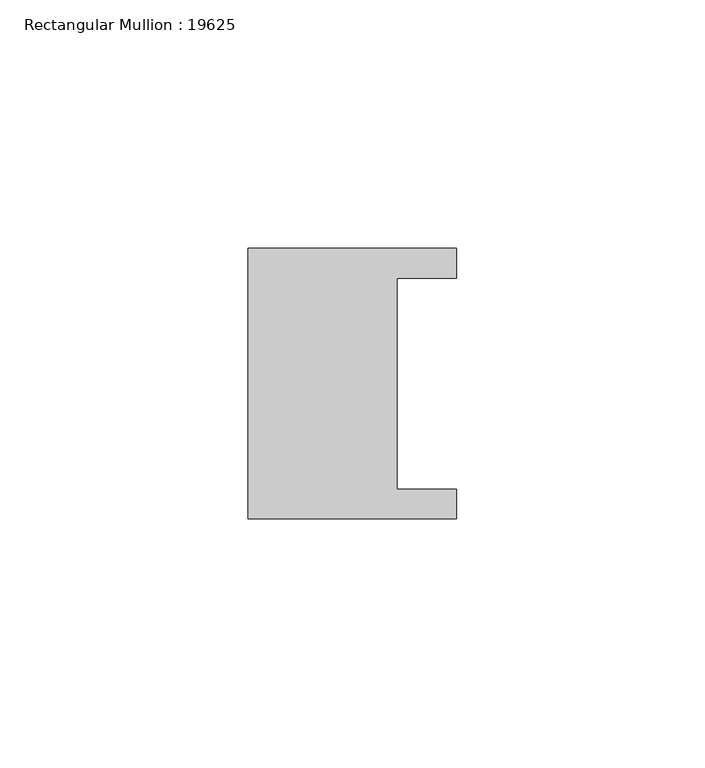
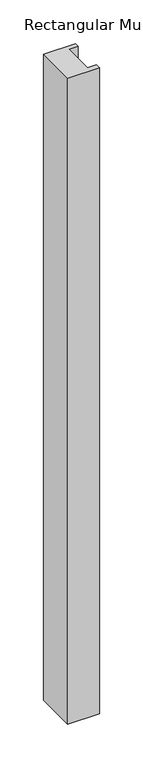
"""IFC4 building model written with IfcOpenShell, lengths in millimetres: member geometry, Rectangular Mullion : 19625."""

from ifc_helpers import new_model, si_unit, frame, origin, place, context, project, spatial, polyline, outline, extrude, source, transform, mapped, element, save


def rectangular_mullion_19625_101068bb(model_context):
    return source(origin(), model_context, "Body", "SweptSolid", [
        extrude(outline(polyline([(-42.0, -27.25), (-42.0, 27.25), (0.0, 27.25), (0.0, 21.25), (-12.0, 21.25), (-12.0, -21.25), (0.0, -21.25), (0.0, -27.25), (-42.0, -27.25)])), frame((0.0, 0.0, -900.0), z_axis=(0.0, 0.0, 1.0), x_axis=(1.0, 0.0, 0.0)), (0.0, 0.0, 1.0), 900.0),
    ])


if __name__ == "__main__":
    model = new_model("IFC4")
    model_context = context("Model", 3, world=origin())
    ifc_project = project(units=[si_unit("LENGTHUNIT", "METRE", prefix="MILLI")], contexts=[model_context])
    site = spatial("IfcSite", under=ifc_project)
    building = spatial("IfcBuilding", under=site)
    placement = place(None, origin())
    rectangular_mullion_19625_shape = rectangular_mullion_19625_101068bb(model_context)
    element("IfcMember", 1, ObjectType="Rectangular Mullion : 19625", at=placement, inside=building, context=model_context, shape_type="MappedRepresentation", body=[
        mapped(rectangular_mullion_19625_shape, transform((0.0, 0.0, 0.0), x_axis=(1.0, 0.0, 0.0), y_axis=(0.0, 1.0, 0.0), z_axis=(0.0, 0.0, 1.0))),
    ])
    save(model, "model.ifc")
